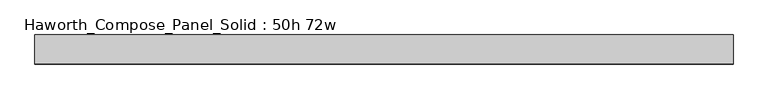
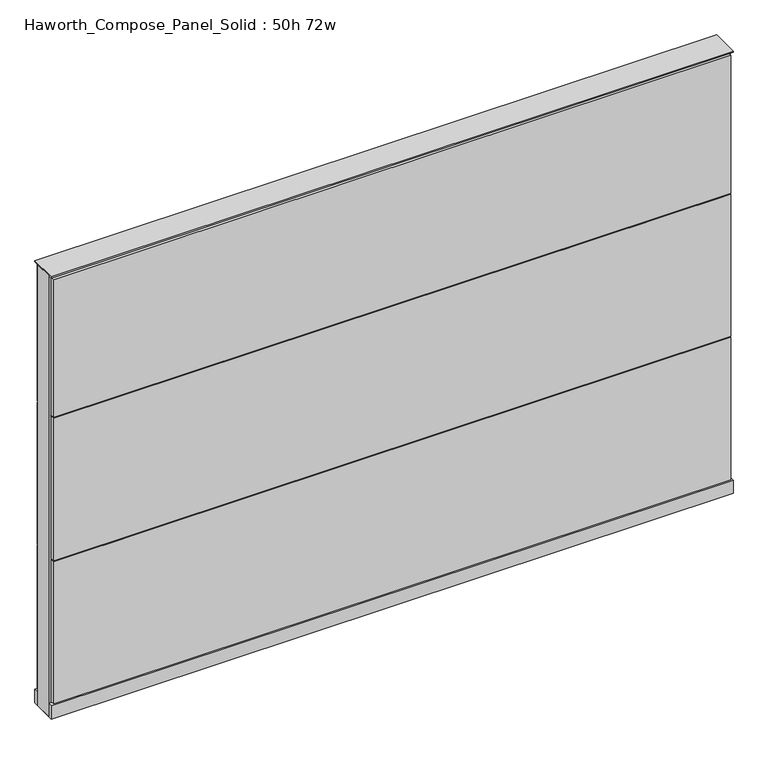
"""IFC4 building model written with IfcOpenShell, lengths in millimetres: furniture geometry, Haworth_Compose_Panel_Solid : 50h 72w."""

from ifc_helpers import new_model, si_unit, point, frame, frame_2d, origin, origin_with_axes, place, context, project, spatial, polyline, circle_curve, trimmed, segment, composite_curve, outline, extrude, source, transform, mapped, element, save


def haworth_compose_panel_solid_50h_72w_61192d5a(model_context):
    return source(origin(), model_context, "Body", "SweptSolid", [
        extrude(outline(composite_curve([segment(trimmed(circle_curve(frame_2d((-835.7597098, 0.0)), 12.7), [point((-848.4597098, 0.0))], [point((-823.0597098, 0.0))], False, "CARTESIAN"), True, "CONTINUOUS"), segment(trimmed(circle_curve(frame_2d((-835.7597098, 0.0)), 12.7), [point((-823.0597098, 0.0))], [point((-848.4597098, 0.0))], False, "CARTESIAN"), True, "CONTINUOUS")], self_intersect=False)), origin_with_axes(), (0.0, 0.0, 1.0), 12.7),
        extrude(outline(composite_curve([segment(trimmed(circle_curve(frame_2d((840.6402902, 0.0)), 12.7), [point((827.9402902, 0.0))], [point((853.3402902, 0.0))], False, "CARTESIAN"), True, "CONTINUOUS"), segment(trimmed(circle_curve(frame_2d((840.6402902, 0.0)), 12.7), [point((853.3402902, 0.0))], [point((827.9402902, 0.0))], False, "CARTESIAN"), True, "CONTINUOUS")], self_intersect=False)), origin_with_axes(), (0.0, 0.0, 1.0), 12.7),
        extrude(outline(polyline([(910.4902902, 38.1), (910.4902902, 25.4), (-905.6097098, 25.4), (-905.6097098, 38.1), (910.4902902, 38.1)])), frame((0.0, 0.0, 866.775), z_axis=(0.0, 0.0, 1.0), x_axis=(1.0, 0.0, 0.0)), (0.0, 0.0, 1.0), 390.525),
        extrude(outline(polyline([(910.4902902, 38.1), (910.4902902, 25.4), (-905.6097098, 25.4), (-905.6097098, 38.1), (910.4902902, 38.1)])), frame((0.0, 0.0, 460.375), z_axis=(0.0, 0.0, 1.0), x_axis=(1.0, 0.0, 0.0)), (0.0, 0.0, 1.0), 403.225),
        extrude(outline(polyline([(910.4902902, 38.1), (910.4902902, 25.4), (-905.6097098, 25.4), (-905.6097098, 38.1), (910.4902902, 38.1)])), frame((0.0, 0.0, 53.975), z_axis=(0.0, 0.0, 1.0), x_axis=(1.0, 0.0, 0.0)), (0.0, 0.0, 1.0), 403.225),
        extrude(outline(polyline([(910.4902902, -38.1), (-905.6097098, -38.1), (-905.6097098, -25.4), (910.4902902, -25.4), (910.4902902, -38.1)])), frame((0.0, 0.0, 866.775), z_axis=(0.0, 0.0, 1.0), x_axis=(1.0, 0.0, 0.0)), (0.0, 0.0, 1.0), 390.525),
        extrude(outline(polyline([(910.4902902, -38.1), (-905.6097098, -38.1), (-905.6097098, -25.4), (910.4902902, -25.4), (910.4902902, -38.1)])), frame((0.0, 0.0, 460.375), z_axis=(0.0, 0.0, 1.0), x_axis=(1.0, 0.0, 0.0)), (0.0, 0.0, 1.0), 403.225),
        extrude(outline(polyline([(910.4902902, -38.1), (-905.6097098, -38.1), (-905.6097098, -25.4), (910.4902902, -25.4), (910.4902902, -38.1)])), frame((0.0, 0.0, 53.975), z_axis=(0.0, 0.0, 1.0), x_axis=(1.0, 0.0, 0.0)), (0.0, 0.0, 1.0), 403.225),
        extrude(outline(polyline([(916.8402902, 25.4), (916.8402902, -25.4), (-911.9597098, -25.4), (-911.9597098, 25.4), (916.8402902, 25.4)])), frame((0.0, 0.0, 12.7), z_axis=(0.0, 0.0, 1.0), x_axis=(1.0, 0.0, 0.0)), (0.0, 0.0, 1.0), 1250.95),
        extrude(outline(polyline([(-911.9597098, -38.1), (-911.9597098, 38.1), (916.8402902, 38.1), (916.8402902, -38.1), (-911.9597098, -38.1)])), frame((0.0, 0.0, 12.7), z_axis=(0.0, 0.0, 1.0), x_axis=(1.0, 0.0, 0.0)), (0.0, 0.0, 1.0), 38.1),
        extrude(outline(polyline([(-911.9597098, -38.1), (-911.9597098, 38.1), (916.8402902, 38.1), (916.8402902, -38.1), (-911.9597098, -38.1)])), frame((0.0, 0.0, 1263.65), z_axis=(0.0, 0.0, 1.0), x_axis=(1.0, 0.0, 0.0)), (0.0, 0.0, 1.0), 3.175),
    ])


if __name__ == "__main__":
    model = new_model("IFC4")
    model_context = context("Model", 3, world=origin())
    ifc_project = project(units=[si_unit("LENGTHUNIT", "METRE", prefix="MILLI")], contexts=[model_context])
    site = spatial("IfcSite", under=ifc_project)
    building = spatial("IfcBuilding", under=site)
    placement = place(None, origin())
    haworth_compose_panel_solid_50h_72w_shape = haworth_compose_panel_solid_50h_72w_61192d5a(model_context)
    element("IfcFurniture", 1, ObjectType="Haworth_Compose_Panel_Solid : 50h 72w", at=placement, inside=building, context=model_context, shape_type="MappedRepresentation", body=[
        mapped(haworth_compose_panel_solid_50h_72w_shape, transform((0.0, 0.0, 0.0), x_axis=(1.0, 0.0, 0.0), y_axis=(0.0, 1.0, 0.0), z_axis=(0.0, 0.0, 1.0))),
    ])
    save(model, "model.ifc")
